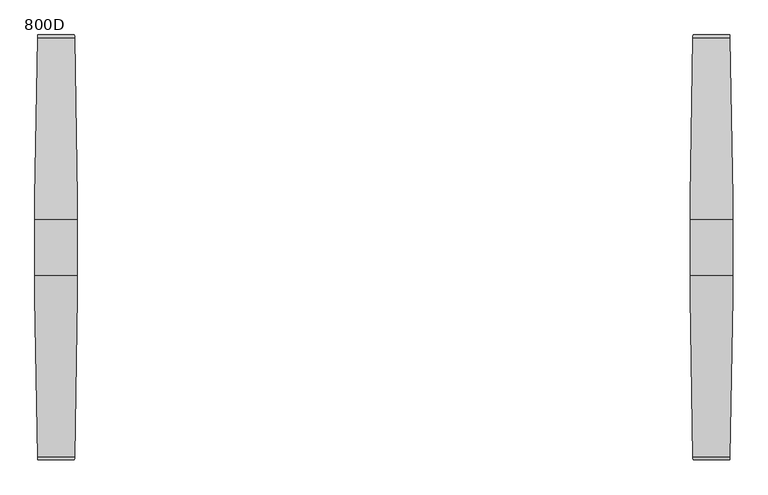
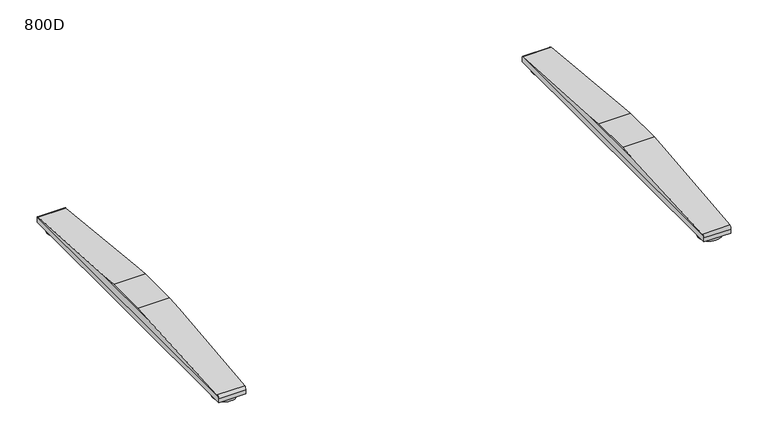
"""IFC4 building model written with IfcOpenShell, lengths in millimetres: furniture geometry, 800D."""

import ifcopenshell
import ifcopenshell.guid

model = None  # the IFC model being written
_history = None  # IfcOwnerHistory: only IFC2X3 demands one
_inside = {}  # id of a spatial element -> (the spatial element, [elements in it])
_under = {}  # id of a project, library or spatial element -> (it, [spatial elements below it])
_declared = {}  # id of a project -> (the project, [libraries it declares])
_typed = {}  # id of a type object -> (the type object, [elements of that type])
_made_of = {}  # id of a material, layer set ... -> (it, [elements and type objects made of it])


def new_model(schema):
    """Start an empty IFC model of exactly this schema.

    Asked for "IFC4X3", IfcOpenShell would pick the latest addendum, in which some entities
    have other attributes; the version numbers below select the first issue.
    IFC2X3 requires an IfcOwnerHistory on every rooted entity: one is made here for all.
    """
    global model, _history
    if schema == "IFC4X3":
        model = ifcopenshell.file(schema_version=(4, 3, 0, 0))
    else:
        model = ifcopenshell.file(schema=schema)
    _inside.clear()
    _under.clear()
    _declared.clear()
    _typed.clear()
    _made_of.clear()
    _history = None
    if model.schema == "IFC2X3":
        org = make("IfcOrganization", Name="unknown")
        user = make(
            "IfcPersonAndOrganization",
            ThePerson=make("IfcPerson", FamilyName="unknown"),
            TheOrganization=org,
        )
        app = make(
            "IfcApplication",
            ApplicationDeveloper=org,
            Version="unknown",
            ApplicationFullName="unknown",
            ApplicationIdentifier="unknown",
        )
        _history = make(
            "IfcOwnerHistory",
            OwningUser=user,
            OwningApplication=app,
            ChangeAction="ADDED",
            CreationDate=0,
        )
    return model


def make(cls, **values):
    """One entity of the class cls with the attributes given. An attribute that is None is left unset."""
    return model.create_entity(
        cls, **{name: value for name, value in values.items() if value is not None}
    )


def rooted(cls, **values):
    """An entity with a GlobalId (a new one), such as an element, a storey or a relation."""
    return make(cls, GlobalId=ifcopenshell.guid.new(), OwnerHistory=_history, **values)


def si_unit(unit_type, name, prefix=None):
    """IfcSIUnit, for example si_unit("LENGTHUNIT", "METRE", prefix="MILLI")."""
    return make("IfcSIUnit", UnitType=unit_type, Prefix=prefix, Name=name)


def assignment(units):
    """IfcUnitAssignment: the units of a project."""
    return None if units is None else make("IfcUnitAssignment", Units=units)


def point(xyz):
    """IfcCartesianPoint."""
    return None if xyz is None else make("IfcCartesianPoint", Coordinates=xyz)


def direction(xyz):
    """IfcDirection."""
    return None if xyz is None else make("IfcDirection", DirectionRatios=xyz)


def frame(location, z_axis=None, x_axis=None):
    """IfcAxis2Placement3D, a coordinate frame: its origin and axes. An axis left out is left unset."""
    return make(
        "IfcAxis2Placement3D",
        Location=point(location),
        Axis=direction(z_axis),
        RefDirection=direction(x_axis),
    )


def frame_2d(location, x_axis=None):
    """IfcAxis2Placement2D, a coordinate frame in the plane: its origin and x axis."""
    return make(
        "IfcAxis2Placement2D", Location=point(location), RefDirection=direction(x_axis)
    )


def origin():
    """The frame at (0, 0, 0) with its axes left unset."""
    return frame((0.0, 0.0, 0.0))


def origin_with_axes():
    """The frame at (0, 0, 0) with the z axis (0, 0, 1) and the x axis (1, 0, 0) written out."""
    return frame((0.0, 0.0, 0.0), z_axis=(0.0, 0.0, 1.0), x_axis=(1.0, 0.0, 0.0))


def place(relative_to, where):
    """IfcLocalPlacement: puts the frame where relative to a parent placement (None: the world)."""
    return make(
        "IfcLocalPlacement", PlacementRelTo=relative_to, RelativePlacement=where
    )


def context(
    kind, dimensions, precision=None, world=None, true_north=None, identifier=None
):
    """IfcGeometricRepresentationContext, for example the 3D "Model" context."""
    return make(
        "IfcGeometricRepresentationContext",
        ContextIdentifier=identifier,
        ContextType=kind,
        CoordinateSpaceDimension=dimensions,
        Precision=precision,
        WorldCoordinateSystem=world,
        TrueNorth=true_north,
    )


def project(units=None, contexts=None):
    """IfcProject with its units and contexts."""
    return rooted(
        "IfcProject",
        Name="project",
        RepresentationContexts=contexts,
        UnitsInContext=assignment(units),
    )


def spatial(cls, under=None, at=None, **own):
    """A site, building, storey or space (cls), placed at a placement, below another one or the project."""
    s = rooted(cls, ObjectPlacement=at, **own)
    if under is not None:
        _under.setdefault(under.id(), (under, []))[1].append(s)
    return s


def circle_curve(where, radius):
    """IfcCircle in the frame where."""
    return make("IfcCircle", Position=where, Radius=radius)


def ellipse_curve(where, semi_axis1, semi_axis2):
    """IfcEllipse in the frame where."""
    return make(
        "IfcEllipse", Position=where, SemiAxis1=semi_axis1, SemiAxis2=semi_axis2
    )


def trimmed(basis, trim1, trim2, sense, master):
    """IfcTrimmedCurve: the piece of a basis curve between two trims."""
    return make(
        "IfcTrimmedCurve",
        BasisCurve=basis,
        Trim1=trim1,
        Trim2=trim2,
        SenseAgreement=sense,
        MasterRepresentation=master,
    )


def segment(curve, same_sense, transition):
    """IfcCompositeCurveSegment."""
    return make(
        "IfcCompositeCurveSegment",
        Transition=transition,
        SameSense=same_sense,
        ParentCurve=curve,
    )


def composite_curve(segments, self_intersect=None):
    """IfcCompositeCurve: segments joined end to end."""
    return make("IfcCompositeCurve", Segments=segments, SelfIntersect=self_intersect)


def outline(outer, holes=None, kind="AREA"):
    """IfcArbitraryClosedProfileDef: a profile drawn as a closed curve; with holes, ...WithVoids."""
    if holes is None:
        return make("IfcArbitraryClosedProfileDef", ProfileType=kind, OuterCurve=outer)
    return make(
        "IfcArbitraryProfileDefWithVoids",
        ProfileType=kind,
        OuterCurve=outer,
        InnerCurves=holes,
    )


def extrude(swept, where, along, depth):
    """IfcExtrudedAreaSolid: the profile swept, set in the frame where, extruded along a direction by depth."""
    return make(
        "IfcExtrudedAreaSolid",
        SweptArea=swept,
        Position=where,
        ExtrudedDirection=direction(along),
        Depth=depth,
    )


def shape(context_of_items, identifier, shape_type, items):
    """IfcShapeRepresentation: the items that make up one representation, for example the "Body"."""
    return make(
        "IfcShapeRepresentation",
        ContextOfItems=context_of_items,
        RepresentationIdentifier=identifier,
        RepresentationType=shape_type,
        Items=items,
    )


def source(mapping_origin, context_of_items, identifier, shape_type, items):
    """IfcRepresentationMap: a shape defined once, which mapped items show again and again."""
    return make(
        "IfcRepresentationMap",
        MappingOrigin=mapping_origin,
        MappedRepresentation=shape(context_of_items, identifier, shape_type, items),
    )


def transform(
    local_origin,
    x_axis=None,
    y_axis=None,
    z_axis=None,
    scale=None,
    scale2=None,
    scale3=None,
    uniform=True,
):
    """IfcCartesianTransformationOperator3D, or its non-uniform kind. x_axis, y_axis, z_axis: its Axis1, 2, 3."""
    if uniform:
        return make(
            "IfcCartesianTransformationOperator3D",
            Axis1=direction(x_axis),
            Axis2=direction(y_axis),
            LocalOrigin=point(local_origin),
            Scale=scale,
            Axis3=direction(z_axis),
        )
    return make(
        "IfcCartesianTransformationOperator3DnonUniform",
        Axis1=direction(x_axis),
        Axis2=direction(y_axis),
        LocalOrigin=point(local_origin),
        Scale=scale,
        Axis3=direction(z_axis),
        Scale2=scale2,
        Scale3=scale3,
    )


def mapped(mapping_source, mapping_target):
    """IfcMappedItem: shows the shape of a source again, moved by a transform."""
    return make(
        "IfcMappedItem", MappingSource=mapping_source, MappingTarget=mapping_target
    )


def made_of(thing, what):
    """Note that an element or type object is made of a material, layer set ...; save() writes the relation."""
    if what is not None:
        _made_of.setdefault(what.id(), (what, []))[1].append(thing)
    return thing


def element(
    cls,
    number,
    at=None,
    inside=None,
    cuts=None,
    type_object=None,
    material=None,
    context=None,
    identifier="Body",
    shape_type=None,
    held_by="IfcProductDefinitionShape",
    body=None,
    shapes=None,
    **own,
):
    """One element of the class cls, such as IfcWall. Its Tag is "e" and its number.

    at: its placement. inside: the storey or other place that contains it. cuts: it is an
    opening in that element (IfcRelVoidsElement). A single representation is given by context,
    identifier, shape_type and body (its items); several are given by shapes. held_by: the class
    of the entity that holds the representations. save() writes the other relations.
    """
    e = rooted(cls, Tag="e%d" % number, ObjectPlacement=at, **own)
    if body is not None:
        shapes = [shape(context, identifier, shape_type, body)]
    if shapes is not None:
        e.Representation = make(held_by, Representations=shapes)
    if inside is not None:
        _inside.setdefault(inside.id(), (inside, []))[1].append(e)
    if cuts is not None:
        rooted(
            "IfcRelVoidsElement", RelatingBuildingElement=cuts, RelatedOpeningElement=e
        )
    if type_object is not None:
        _typed.setdefault(type_object.id(), (type_object, []))[1].append(e)
    return made_of(e, material)


def aggregate(whole, parts):
    """IfcRelAggregates: a whole, such as a stair, and the parts it consists of."""
    return rooted("IfcRelAggregates", RelatingObject=whole, RelatedObjects=parts)


def save(model, path):
    """Write the relations noted so far, then the file.

    IfcRelAggregates (storeys below a building ...), IfcRelContainedInSpatialStructure (elements
    in a storey), IfcRelDefinesByType, IfcRelAssociatesMaterial and IfcRelDeclares: one each for
    every whole, place, type object, material and project.
    """
    for whole, parts in _under.values():
        aggregate(whole, parts)
    for where, things in _inside.values():
        rooted(
            "IfcRelContainedInSpatialStructure",
            RelatedElements=things,
            RelatingStructure=where,
        )
    for kind, things in _typed.values():
        rooted("IfcRelDefinesByType", RelatedObjects=things, RelatingType=kind)
    for what, things in _made_of.values():
        rooted("IfcRelAssociatesMaterial", RelatedObjects=things, RelatingMaterial=what)
    for by, libraries in _declared.values():
        rooted("IfcRelDeclares", RelatingContext=by, RelatedDefinitions=libraries)
    model.write(path)


def plane_surface(at):
    """IfcPlane: the flat surface through the origin of the frame at, square to its z axis."""
    return make("IfcPlane", Position=at)


def cylinder_surface(at, radius):
    """IfcCylindricalSurface: all points at the distance radius from the z axis of the frame at."""
    return make("IfcCylindricalSurface", Position=at, Radius=radius)


def advanced_brep(points, edges, surfaces, faces):
    """IfcAdvancedBrep: a solid bounded by faces that lie on surfaces and meet in shared edges.

    An edge is (start, end): straight between two places in points (the first is 0);
    or (start, end, curve); or (start, end, curve, False) where it runs against its curve.
    A face is (place in surfaces, loops), or (place, loops, False) where it looks against
    its surface's normal. A loop lists edges by number (the first is 1), with a minus sign
    where the edge is run from its end to its start. The first loop is the outer one.
    """
    corners = [point(p) for p in points]
    vertices = [make("IfcVertexPoint", VertexGeometry=c) for c in corners]
    made = []
    for start, end, *more in edges:
        made.append(
            make(
                "IfcEdgeCurve",
                EdgeStart=vertices[start],
                EdgeEnd=vertices[end],
                EdgeGeometry=more[0] if more else make("IfcPolyline", Points=[corners[start], corners[end]]),
                SameSense=more[1] if len(more) > 1 else True,
            )
        )
    hull = []
    for where, loops, *sense in faces:
        bounds = []
        for j, loop in enumerate(loops):
            ring = [make("IfcOrientedEdge", EdgeElement=made[abs(k) - 1], Orientation=k > 0) for k in loop]
            bounds.append(
                make(
                    "IfcFaceOuterBound" if j == 0 else "IfcFaceBound",
                    Bound=make("IfcEdgeLoop", EdgeList=ring),
                    Orientation=True,
                )
            )
        hull.append(make("IfcAdvancedFace", Bounds=bounds, FaceSurface=surfaces[where], SameSense=sense[0] if sense else True))
    return make("IfcAdvancedBrep", Outer=make("IfcClosedShell", CfsFaces=hull))


def furniture_800d_29f28f86(model_context):
    return source(origin(), model_context, "Body", "SolidModel", [
        advanced_brep(
        [(505.0040816, -45.9999756, 50.0000004), (505.0040816, 45.9999756, 50.0000004), (505.0040816, 82.452717, 47.0022421), (505.0040816, -82.4527181, 47.0022421), (575.0, 45.9999756, 50.0000004), (575.0, -45.9999756, 50.0000004), (575.0, -82.6981674, 46.9820571), (575.0, 82.6981662, 46.9820571), (570.6498787, 344.4917542, 25.4529794), (509.3582815, 344.4917542, 25.4529794), (509.3582815, -344.4917633, 25.4529794), (570.6498787, -344.4917633, 25.4529794), (510.0539142, -349.4372123, 22.0102408), (510.0539142, -350.0000027, 19.4731654), (569.954246, -350.0000027, 19.4731654), (569.954246, -349.4372123, 22.0102408), (510.0539142, -350.0000027, 10.0000005), (569.954246, -350.0000027, 10.0000005), (510.0539142, 349.9999913, 10.0000005), (569.954246, 349.9999913, 10.0000005), (510.0539142, 349.9999913, 19.4731679), (569.954246, 349.9999913, 19.4731679), (510.0539142, 349.4372019, 22.0102408), (569.954246, 349.4372019, 22.0102408)],
        [
            (0, 1),
            (1, 2),
            (2, 3),
            (3, 0),
            (4, 5),
            (5, 6),
            (6, 7),
            (7, 4),
            (1, 4),
            (7, 8),
            (8, 9),
            (9, 2),
            (0, 5),
            (3, 10),
            (10, 11),
            (11, 6),
            (10, 12, ellipse_curve(frame((510.5665505, -344.0000023, 19.4731654), z_axis=(0.9801908372046194, 0.0, 0.1980553525156728), x_axis=(-0.19805535251567205, 0.0, 0.9801908372046195)), 6.1212573, 6.0000004)),
            (12, 13, circle_curve(frame((510.0539142, -344.0000023, 19.4731654), z_axis=(1.0, 0.0, 0.0), x_axis=(0.0, 1.0, 0.0)), 6.0000004)),
            (13, 14),
            (14, 15, circle_curve(frame((569.954246, -344.0000023, 19.4731654), z_axis=(-1.0, 0.0, 0.0), x_axis=(0.0, 1.0, 0.0)), 6.0000004)),
            (15, 11, ellipse_curve(frame((569.4416097, -344.0000023, 19.4731654), z_axis=(-0.9801908372046148, 0.0, 0.19805535251569573), x_axis=(-0.1980553525156951, 0.0, -0.9801908372046148)), 6.1212573, 6.0000004)),
            (13, 16),
            (16, 17),
            (17, 14),
            (16, 18),
            (18, 19),
            (19, 17),
            (18, 20),
            (20, 21),
            (21, 19),
            (20, 22, circle_curve(frame((510.0539142, 343.9999934, 19.4731679), z_axis=(1.0, 0.0, 0.0), x_axis=(0.0, 1.0, 0.0)), 5.9999979)),
            (22, 9, ellipse_curve(frame((510.56655, 343.9999934, 19.4731679), z_axis=(0.9801908372046194, 0.0, 0.1980553525156728), x_axis=(-0.19805535251567205, 0.0, 0.9801908372046195)), 6.1212548, 5.9999979)),
            (8, 23, ellipse_curve(frame((569.4416102, 343.9999934, 19.4731679), z_axis=(-0.9801908372046148, 0.0, 0.19805535251569573), x_axis=(-0.1980553525156951, 0.0, -0.9801908372046148)), 6.1212548, 5.9999979)),
            (23, 21, circle_curve(frame((569.954246, 343.9999934, 19.4731679), z_axis=(-1.0, 0.0, 0.0), x_axis=(0.0, 1.0, 0.0)), 5.9999979)),
            (15, 23),
            (12, 22),
        ],
        [
            plane_surface(frame((505.0040816, 349.9999913, 19.4731679), z_axis=(-1.0, 0.0, 0.0), x_axis=(0.0, 0.0, -1.0))),
            plane_surface(frame((575.0, 349.9999913, 19.4731679), z_axis=(1.0, 0.0, 0.0), x_axis=(0.0, 0.0, 1.0))),
            plane_surface(frame((505.0040816, 45.9999756, 50.0000004), z_axis=(0.0, 0.08196016388479187, 0.996635606195152), x_axis=(1.0, 0.0, 0.0))),
            plane_surface(frame((505.0040816, -45.9999756, 50.0000004), z_axis=(0.0, 0.0, 1.0), x_axis=(1.0, 0.0, 0.0))),
            plane_surface(frame((505.0040816, -344.4917633, 25.4529794), z_axis=(0.0, -0.08196016140528317, 0.996635606399059), x_axis=(1.0, 0.0, 0.0))),
            cylinder_surface(frame((575.0, -344.0000023, 19.4731654), z_axis=(-1.0, 0.0, 0.0), x_axis=(0.0, 1.0, 0.0)), 6.0000004),
            plane_surface(frame((505.0040816, -350.0000027, 10.0000005), z_axis=(0.0, -1.0, 0.0), x_axis=(1.0, 0.0, 0.0))),
            plane_surface(frame((505.0040816, 349.9999913, 10.0000005), z_axis=(0.0, 0.0, -1.0), x_axis=(1.0, 0.0, 0.0))),
            plane_surface(frame((505.0040816, 349.9999913, 19.4731679), z_axis=(0.0, 1.0, 0.0), x_axis=(1.0, 0.0, 0.0))),
            cylinder_surface(frame((575.0, 343.9999934, 19.4731679), z_axis=(-1.0, 0.0, 0.0), x_axis=(0.0, 1.0, 0.0)), 5.9999979),
            plane_surface(frame((575.0, -350.0000027, 46.9820571), z_axis=(0.9801908372046148, 0.0, -0.19805535251569573), x_axis=(0.0, 1.0, 0.0))),
            plane_surface(frame((569.954246, -350.0000027, 22.0102408), z_axis=(1.0, 0.0, 0.0), x_axis=(0.0, 1.0, 0.0))),
            plane_surface(frame((510.0539142, -350.0000027, 10.0000005), z_axis=(-1.0, 0.0, 0.0), x_axis=(0.0, 1.0, 0.0))),
            plane_surface(frame((510.0539142, -350.0000027, 22.0102408), z_axis=(-0.9801908372046194, 0.0, -0.1980553525156728), x_axis=(0.0, 1.0, 0.0))),
        ],
        [
            (0, [[1, 2, 3, 4]]),
            (1, [[5, 6, 7, 8]]),
            (2, [[9, -8, 10, 11, 12, -2]]),
            (3, [[-1, 13, -5, -9]]),
            (4, [[-13, -4, 14, 15, 16, -6]]),
            (5, [[-15, 17, 18, 19, 20, 21]]),
            (6, [[-19, 22, 23, 24]]),
            (7, [[-23, 25, 26, 27]]),
            (8, [[-26, 28, 29, 30]]),
            (9, [[-29, 31, 32, -11, 33, 34]]),
            (10, [[35, -33, -10, -7, -16, -21]]),
            (11, [[-35, -20, -24, -27, -30, -34]]),
            (12, [[36, -31, -28, -25, -22, -18]]),
            (13, [[-36, -17, -14, -3, -12, -32]]),
        ],
    ),
        extrude(outline(composite_curve([segment(trimmed(circle_curve(frame_2d((540.0020408, 319.5181605)), 25.0), [point((565.0020408, 319.5181605))], [point((515.0020408, 319.5181605))], False, "CARTESIAN"), True, "CONTINUOUS"), segment(trimmed(circle_curve(frame_2d((540.0020408, 319.5181605)), 25.0), [point((515.0020408, 319.5181605))], [point((565.0020408, 319.5181605))], False, "CARTESIAN"), True, "CONTINUOUS")], self_intersect=False)), origin_with_axes(), (0.0, 0.0, 1.0), 10.0000005),
        extrude(outline(composite_curve([segment(trimmed(circle_curve(frame_2d((540.0020408, -319.5181605)), 25.0), [point((565.0020408, -319.5181605))], [point((515.0020408, -319.5181605))], False, "CARTESIAN"), True, "CONTINUOUS"), segment(trimmed(circle_curve(frame_2d((540.0020408, -319.5181605)), 25.0), [point((515.0020408, -319.5181605))], [point((565.0020408, -319.5181605))], False, "CARTESIAN"), True, "CONTINUOUS")], self_intersect=False)), origin_with_axes(), (0.0, 0.0, 1.0), 10.0000005),
        advanced_brep(
        [(-505.0040816, 45.9999756, 50.0000004), (-505.0040816, -45.9999756, 50.0000004), (-505.0040816, -82.4527181, 47.0022421), (-505.0040816, 82.452717, 47.0022421), (-575.0, -45.9999756, 50.0000004), (-575.0, 45.9999756, 50.0000004), (-575.0, 82.6981662, 46.9820571), (-575.0, -82.6981674, 46.9820571), (-509.3582815, 344.4917542, 25.4529794), (-570.6498787, 344.4917542, 25.4529794), (-570.6498787, -344.4917633, 25.4529794), (-509.3582815, -344.4917633, 25.4529794), (-569.954246, -349.4372123, 22.0102408), (-569.954246, -350.0000027, 19.4731654), (-510.0539142, -350.0000027, 19.4731654), (-510.0539142, -349.4372123, 22.0102408), (-569.954246, -350.0000027, 10.0000005), (-510.0539142, -350.0000027, 10.0000005), (-569.954246, 349.9999913, 10.0000005), (-510.0539142, 349.9999913, 10.0000005), (-569.954246, 349.9999913, 19.4731679), (-510.0539142, 349.9999913, 19.4731679), (-510.0539142, 349.4372019, 22.0102408), (-569.954246, 349.4372019, 22.0102408)],
        [
            (0, 1),
            (1, 2),
            (2, 3),
            (3, 0),
            (4, 5),
            (5, 6),
            (6, 7),
            (7, 4),
            (5, 0),
            (3, 8),
            (8, 9),
            (9, 6),
            (4, 1),
            (7, 10),
            (10, 11),
            (11, 2),
            (10, 12, ellipse_curve(frame((-569.4416097, -344.0000023, 19.4731654), z_axis=(0.980190837204615, 0.0, 0.19805535251569462), x_axis=(0.19805535251569453, 0.0, -0.980190837204615)), 6.1212573, 6.0000004)),
            (12, 13, circle_curve(frame((-569.954246, -344.0000023, 19.4731654), z_axis=(1.0, 0.0, 0.0), x_axis=(0.0, -1.0, 0.0)), 6.0000004)),
            (13, 14),
            (14, 15, circle_curve(frame((-510.0539142, -344.0000023, 19.4731654), z_axis=(-1.0, 0.0, 0.0), x_axis=(0.0, -1.0, 0.0)), 6.0000004)),
            (15, 11, ellipse_curve(frame((-510.5665505, -344.0000023, 19.4731654), z_axis=(-0.9801908372046182, 0.0, 0.19805535251567882), x_axis=(0.19805535251567835, 0.0, 0.9801908372046182)), 6.1212573, 6.0000004)),
            (13, 16),
            (16, 17),
            (17, 14),
            (16, 18),
            (18, 19),
            (19, 17),
            (18, 20),
            (20, 21),
            (21, 19),
            (8, 22, ellipse_curve(frame((-510.56655, 343.9999934, 19.4731679), z_axis=(-0.9801908372046182, 0.0, 0.19805535251567882), x_axis=(0.19805535251567835, 0.0, 0.9801908372046182)), 6.1212548, 5.9999979)),
            (22, 21, circle_curve(frame((-510.0539142, 343.9999934, 19.4731679), z_axis=(-1.0, 0.0, 0.0), x_axis=(0.0, -1.0, 0.0)), 5.9999979)),
            (20, 23, circle_curve(frame((-569.954246, 343.9999934, 19.4731679), z_axis=(1.0, 0.0, 0.0), x_axis=(0.0, -1.0, 0.0)), 5.9999979)),
            (23, 9, ellipse_curve(frame((-569.4416102, 343.9999934, 19.4731679), z_axis=(0.980190837204615, 0.0, 0.19805535251569462), x_axis=(0.19805535251569453, 0.0, -0.980190837204615)), 6.1212548, 5.9999979)),
            (23, 12),
            (22, 15),
        ],
        [
            plane_surface(frame((-505.0040816, 46.2454694, 49.9798118), z_axis=(1.0, 0.0, 0.0), x_axis=(0.0, -0.996635606195152, 0.08196016388479188))),
            plane_surface(frame((-575.0, 46.2454694, 49.9798118), z_axis=(-1.0, 0.0, 0.0), x_axis=(0.0, 0.996635606195152, -0.08196016388479188))),
            plane_surface(frame((-505.0040816, 344.4917542, 25.4529794), z_axis=(0.0, 0.08196016388479188, 0.996635606195152), x_axis=(-1.0, 0.0, 0.0))),
            plane_surface(frame((-505.0040816, 45.9999756, 50.0000004), z_axis=(0.0, 0.0, 1.0), x_axis=(-1.0, 0.0, 0.0))),
            plane_surface(frame((-505.0040816, -45.9999756, 50.0000004), z_axis=(0.0, -0.0819601614052832, 0.996635606399059), x_axis=(-1.0, 0.0, 0.0))),
            cylinder_surface(frame((-575.0, -344.0000023, 19.4731654), z_axis=(1.0, 0.0, 0.0), x_axis=(0.0, -1.0, 0.0)), 6.0000004),
            plane_surface(frame((-505.0040816, -350.0000027, 19.4731654), z_axis=(0.0, -1.0, 0.0), x_axis=(-1.0, 0.0, 0.0))),
            plane_surface(frame((-505.0040816, -350.0000027, 10.0000005), z_axis=(0.0, 0.0, -1.0), x_axis=(-1.0, 0.0, 0.0))),
            plane_surface(frame((-505.0040816, 349.9999913, 10.0000005), z_axis=(0.0, 1.0, 0.0), x_axis=(-1.0, 0.0, 0.0))),
            cylinder_surface(frame((-575.0, 343.9999934, 19.4731679), z_axis=(1.0, 0.0, 0.0), x_axis=(0.0, -1.0, 0.0)), 5.9999979),
            plane_surface(frame((-569.954246, -350.0000027, 22.0102408), z_axis=(-0.980190837204615, 0.0, -0.19805535251569462), x_axis=(0.0, 1.0, 0.0))),
            plane_surface(frame((-569.954246, -350.0000027, 10.0000005), z_axis=(-1.0, 0.0, 0.0), x_axis=(0.0, 1.0, 0.0))),
            plane_surface(frame((-510.0539142, -350.0000027, 22.0102408), z_axis=(1.0, 0.0, 0.0), x_axis=(0.0, 1.0, 0.0))),
            plane_surface(frame((-505.0040816, -350.0000027, 47.0022421), z_axis=(0.9801908372046182, 0.0, -0.19805535251567882), x_axis=(0.0, 1.0, 0.0))),
        ],
        [
            (0, [[1, 2, 3, 4]]),
            (1, [[5, 6, 7, 8]]),
            (2, [[9, -4, 10, 11, 12, -6]]),
            (3, [[-1, -9, -5, 13]]),
            (4, [[-13, -8, 14, 15, 16, -2]]),
            (5, [[-15, 17, 18, 19, 20, 21]]),
            (6, [[-19, 22, 23, 24]]),
            (7, [[-23, 25, 26, 27]]),
            (8, [[-26, 28, 29, 30]]),
            (9, [[-11, 31, 32, -29, 33, 34]]),
            (10, [[35, -17, -14, -7, -12, -34]]),
            (11, [[-35, -33, -28, -25, -22, -18]]),
            (12, [[36, -20, -24, -27, -30, -32]]),
            (13, [[-36, -31, -10, -3, -16, -21]]),
        ],
    ),
        extrude(outline(composite_curve([segment(trimmed(circle_curve(frame_2d((-540.0020408, 319.5181605)), 25.0), [point((-565.0020408, 319.5181605))], [point((-515.0020408, 319.5181605))], False, "CARTESIAN"), True, "CONTINUOUS"), segment(trimmed(circle_curve(frame_2d((-540.0020408, 319.5181605)), 25.0), [point((-515.0020408, 319.5181605))], [point((-565.0020408, 319.5181605))], False, "CARTESIAN"), True, "CONTINUOUS")], self_intersect=False)), origin_with_axes(), (0.0, 0.0, 1.0), 10.0000005),
        extrude(outline(composite_curve([segment(trimmed(circle_curve(frame_2d((-540.0020408, -319.5181605)), 25.0), [point((-565.0020408, -319.5181605))], [point((-515.0020408, -319.5181605))], False, "CARTESIAN"), True, "CONTINUOUS"), segment(trimmed(circle_curve(frame_2d((-540.0020408, -319.5181605)), 25.0), [point((-515.0020408, -319.5181605))], [point((-565.0020408, -319.5181605))], False, "CARTESIAN"), True, "CONTINUOUS")], self_intersect=False)), origin_with_axes(), (0.0, 0.0, 1.0), 10.0000005),
    ])


if __name__ == "__main__":
    model = new_model("IFC4")
    model_context = context("Model", 3, world=origin())
    ifc_project = project(units=[si_unit("LENGTHUNIT", "METRE", prefix="MILLI")], contexts=[model_context])
    site = spatial("IfcSite", under=ifc_project)
    building = spatial("IfcBuilding", under=site)
    placement = place(None, origin())
    furniture_800d_shape = furniture_800d_29f28f86(model_context)
    element("IfcFurniture", 1, ObjectType="800D", at=placement, inside=building, context=model_context, shape_type="MappedRepresentation", body=[
        mapped(furniture_800d_shape, transform((0.0, 0.0, 0.0), x_axis=(1.0, 0.0, 0.0), y_axis=(0.0, 1.0, 0.0), z_axis=(0.0, 0.0, 1.0))),
    ])
    save(model, "model.ifc")
